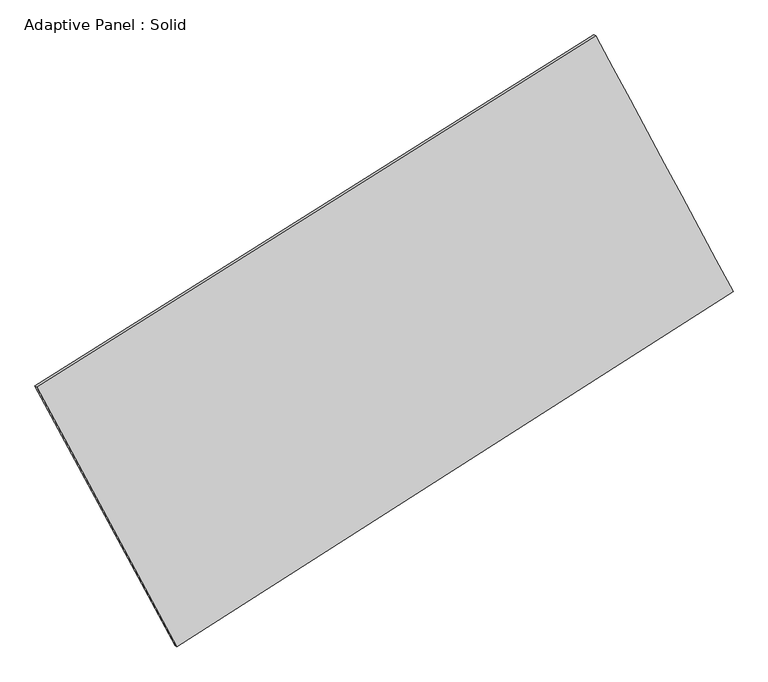
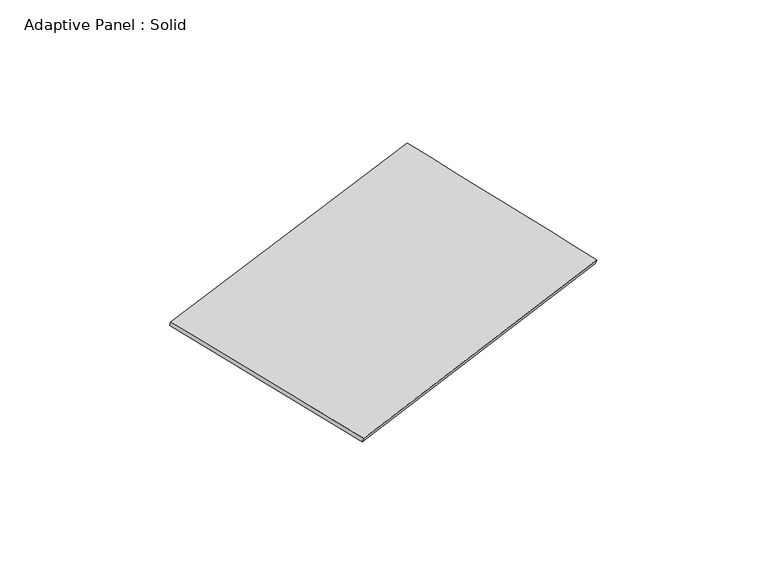
"""IFC4 building model written with IfcOpenShell, lengths in millimetres: plate geometry, Adaptive Panel : Solid."""

from ifc_helpers import new_model, si_unit, frame, origin, place, context, project, spatial, source, transform, mapped, element, save
from ifc_brep_helpers import plane_surface, spline_surface, advanced_brep


def adaptive_panel_solid_a04df4da(model_context):
    return source(origin(), model_context, "Body", "AdvancedBrep", [
        advanced_brep(
        [(1189.6125707, 2569.1638031, 667.7847429), (-3706.6220866, -508.5665769, 1755.6072919), (-3691.9557307, -514.9466704, 1802.9801999), (1204.2789265, 2562.7837097, 715.1576509), (-2479.634934, -2786.5503613, 1082.3703395), (-2464.9685782, -2792.9304548, 1129.7432475), (2393.3538717, 325.7045623, -20.6398541), (2408.0202276, 319.3244688, 26.7330539)],
        [
            (0, 1),
            (1, 2),
            (2, 3),
            (3, 0),
            (1, 4),
            (4, 5),
            (5, 2),
            (4, 6),
            (6, 7),
            (7, 5),
            (6, 0),
            (3, 7),
        ],
        [
            plane_surface(frame((-1258.5047579, 1030.2986131, 1211.6960174), z_axis=(-0.4719443903583534, 0.8425466395082785, 0.2595836140101866), x_axis=(-0.8320375002766173, -0.523011512154178, 0.18485820589748891))),
            plane_surface(frame((-3093.1285103, -1647.5584691, 1418.9888157), z_axis=(-0.8394129601660933, -0.5086887681632661, 0.19136775969252495), x_axis=(0.45893279443839463, -0.8520394542343384, -0.2518123480233194))),
            plane_surface(frame((-43.1405311, -1230.4228995, 530.8652427), z_axis=(0.47703676300147174, -0.8393200079183931, -0.26072562408199584), x_axis=(0.8278495686306141, 0.5287266190593733, -0.18738530896564562))),
            plane_surface(frame((1791.4832212, 1447.4341827, 323.5724444), z_axis=(0.8392470897221549, 0.5089973009548436, -0.19127485462960836), x_axis=(-0.4564071191734987, 0.8506236084215318, 0.26102110712293053))),
            spline_surface(1, 1, [[(-3691.9557307, -514.9466704, 1802.9801999), (1204.2789265, 2562.7837097, 715.1576509)], [(-2464.9685782, -2792.9304548, 1129.7432475), (2408.0202276, 319.3244688, 26.7330539)]], [2, 2], [2, 2], [0.0, 1.0], [0.0, 1.0]),
            spline_surface(1, 1, [[(2393.3538717, 325.7045623, -20.6398541), (1189.6125707, 2569.1638031, 667.7847429)], [(-2479.634934, -2786.5503613, 1082.3703395), (-3706.6220866, -508.5665769, 1755.6072919)]], [2, 2], [2, 2], [0.0, 1.0], [0.0, 1.0]),
        ],
        [
            (0, [[1, 2, 3, 4]]),
            (1, [[5, 6, 7, -2]]),
            (2, [[8, 9, 10, -6]]),
            (3, [[11, -4, 12, -9]]),
            (4, [[-3, -7, -10, -12]]),
            (5, [[-11, -8, -5, -1]]),
        ],
    ),
    ])


if __name__ == "__main__":
    model = new_model("IFC4")
    model_context = context("Model", 3, world=origin())
    ifc_project = project(units=[si_unit("LENGTHUNIT", "METRE", prefix="MILLI")], contexts=[model_context])
    site = spatial("IfcSite", under=ifc_project)
    building = spatial("IfcBuilding", under=site)
    placement = place(None, origin())
    adaptive_panel_solid_shape = adaptive_panel_solid_a04df4da(model_context)
    element("IfcPlate", 1, ObjectType="Adaptive Panel : Solid", at=placement, inside=building, context=model_context, shape_type="MappedRepresentation", body=[
        mapped(adaptive_panel_solid_shape, transform((0.0, 0.0, 0.0), x_axis=(1.0, 0.0, 0.0), y_axis=(0.0, 1.0, 0.0), z_axis=(0.0, 0.0, 1.0))),
    ])
    save(model, "model.ifc")
